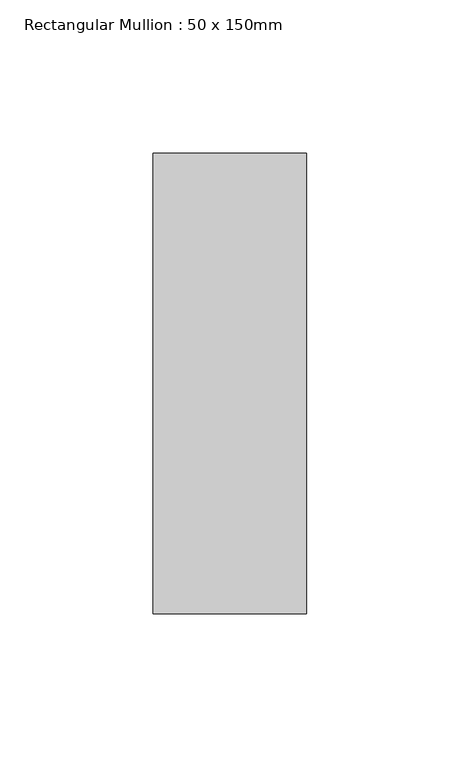
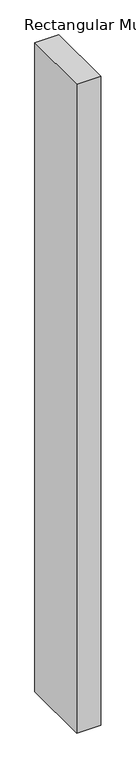
"""IFC4 building model written with IfcOpenShell, lengths in millimetres: member geometry, Rectangular Mullion : 50 x 150mm."""

from ifc_helpers import new_model, si_unit, frame, origin, place, context, project, spatial, polyline, outline, extrude, source, transform, mapped, element, save


def rectangular_mullion_50_x_150mm_e218f13f(model_context):
    return source(origin(), model_context, "Body", "SweptSolid", [
        extrude(outline(polyline([(0.0, 75.0), (0.0, -75.0), (-50.0, -75.0), (-50.0, 75.0), (0.0, 75.0)])), frame((0.0, 0.0, -1424.5806285), z_axis=(0.0, 0.0, 1.0), x_axis=(1.0, 0.0, 0.0)), (0.0, 0.0, 1.0), 1424.5806285),
    ])


if __name__ == "__main__":
    model = new_model("IFC4")
    model_context = context("Model", 3, world=origin())
    ifc_project = project(units=[si_unit("LENGTHUNIT", "METRE", prefix="MILLI")], contexts=[model_context])
    site = spatial("IfcSite", under=ifc_project)
    building = spatial("IfcBuilding", under=site)
    placement = place(None, origin())
    rectangular_mullion_50_x_150mm_shape = rectangular_mullion_50_x_150mm_e218f13f(model_context)
    element("IfcMember", 1, ObjectType="Rectangular Mullion : 50 x 150mm", at=placement, inside=building, context=model_context, shape_type="MappedRepresentation", body=[
        mapped(rectangular_mullion_50_x_150mm_shape, transform((0.0, 0.0, 0.0), x_axis=(1.0, 0.0, 0.0), y_axis=(0.0, 1.0, 0.0), z_axis=(0.0, 0.0, 1.0))),
    ])
    save(model, "model.ifc")
